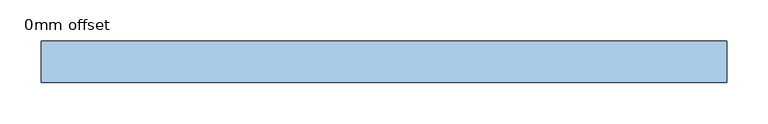
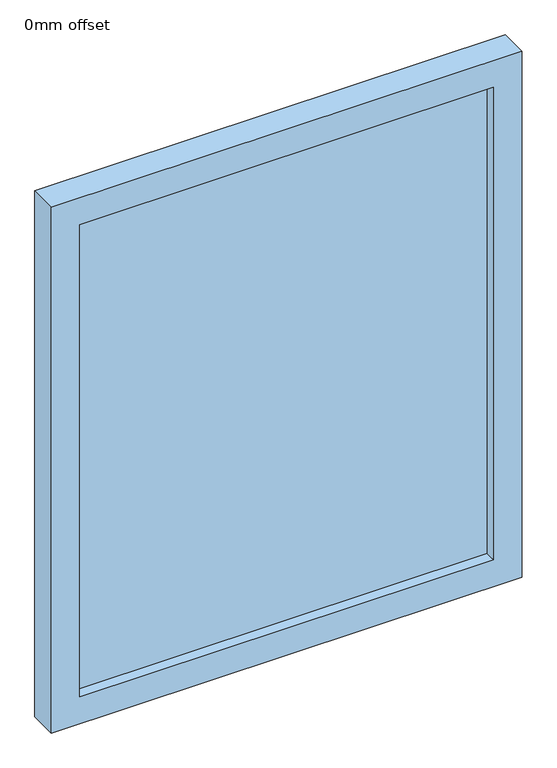
"""IFC4 building model written with IfcOpenShell, lengths in millimetres: window geometry, 0mm offset."""

import ifcopenshell
import ifcopenshell.guid

model = None  # the IFC model being written
_history = None  # IfcOwnerHistory: only IFC2X3 demands one
_inside = {}  # id of a spatial element -> (the spatial element, [elements in it])
_under = {}  # id of a project, library or spatial element -> (it, [spatial elements below it])
_declared = {}  # id of a project -> (the project, [libraries it declares])
_typed = {}  # id of a type object -> (the type object, [elements of that type])
_made_of = {}  # id of a material, layer set ... -> (it, [elements and type objects made of it])


def new_model(schema):
    """Start an empty IFC model of exactly this schema.

    Asked for "IFC4X3", IfcOpenShell would pick the latest addendum, in which some entities
    have other attributes; the version numbers below select the first issue.
    IFC2X3 requires an IfcOwnerHistory on every rooted entity: one is made here for all.
    """
    global model, _history
    if schema == "IFC4X3":
        model = ifcopenshell.file(schema_version=(4, 3, 0, 0))
    else:
        model = ifcopenshell.file(schema=schema)
    _inside.clear()
    _under.clear()
    _declared.clear()
    _typed.clear()
    _made_of.clear()
    _history = None
    if model.schema == "IFC2X3":
        org = make("IfcOrganization", Name="unknown")
        user = make(
            "IfcPersonAndOrganization",
            ThePerson=make("IfcPerson", FamilyName="unknown"),
            TheOrganization=org,
        )
        app = make(
            "IfcApplication",
            ApplicationDeveloper=org,
            Version="unknown",
            ApplicationFullName="unknown",
            ApplicationIdentifier="unknown",
        )
        _history = make(
            "IfcOwnerHistory",
            OwningUser=user,
            OwningApplication=app,
            ChangeAction="ADDED",
            CreationDate=0,
        )
    return model


def make(cls, **values):
    """One entity of the class cls with the attributes given. An attribute that is None is left unset."""
    return model.create_entity(
        cls, **{name: value for name, value in values.items() if value is not None}
    )


def rooted(cls, **values):
    """An entity with a GlobalId (a new one), such as an element, a storey or a relation."""
    return make(cls, GlobalId=ifcopenshell.guid.new(), OwnerHistory=_history, **values)


def si_unit(unit_type, name, prefix=None):
    """IfcSIUnit, for example si_unit("LENGTHUNIT", "METRE", prefix="MILLI")."""
    return make("IfcSIUnit", UnitType=unit_type, Prefix=prefix, Name=name)


def assignment(units):
    """IfcUnitAssignment: the units of a project."""
    return None if units is None else make("IfcUnitAssignment", Units=units)


def point(xyz):
    """IfcCartesianPoint."""
    return None if xyz is None else make("IfcCartesianPoint", Coordinates=xyz)


def direction(xyz):
    """IfcDirection."""
    return None if xyz is None else make("IfcDirection", DirectionRatios=xyz)


def frame(location, z_axis=None, x_axis=None):
    """IfcAxis2Placement3D, a coordinate frame: its origin and axes. An axis left out is left unset."""
    return make(
        "IfcAxis2Placement3D",
        Location=point(location),
        Axis=direction(z_axis),
        RefDirection=direction(x_axis),
    )


def origin():
    """The frame at (0, 0, 0) with its axes left unset."""
    return frame((0.0, 0.0, 0.0))


def place(relative_to, where):
    """IfcLocalPlacement: puts the frame where relative to a parent placement (None: the world)."""
    return make(
        "IfcLocalPlacement", PlacementRelTo=relative_to, RelativePlacement=where
    )


def context(
    kind, dimensions, precision=None, world=None, true_north=None, identifier=None
):
    """IfcGeometricRepresentationContext, for example the 3D "Model" context."""
    return make(
        "IfcGeometricRepresentationContext",
        ContextIdentifier=identifier,
        ContextType=kind,
        CoordinateSpaceDimension=dimensions,
        Precision=precision,
        WorldCoordinateSystem=world,
        TrueNorth=true_north,
    )


def project(units=None, contexts=None):
    """IfcProject with its units and contexts."""
    return rooted(
        "IfcProject",
        Name="project",
        RepresentationContexts=contexts,
        UnitsInContext=assignment(units),
    )


def spatial(cls, under=None, at=None, **own):
    """A site, building, storey or space (cls), placed at a placement, below another one or the project."""
    s = rooted(cls, ObjectPlacement=at, **own)
    if under is not None:
        _under.setdefault(under.id(), (under, []))[1].append(s)
    return s


def polyline(points):
    """IfcPolyline through the points."""
    return make("IfcPolyline", Points=[point(p) for p in points])


def outline(outer, holes=None, kind="AREA"):
    """IfcArbitraryClosedProfileDef: a profile drawn as a closed curve; with holes, ...WithVoids."""
    if holes is None:
        return make("IfcArbitraryClosedProfileDef", ProfileType=kind, OuterCurve=outer)
    return make(
        "IfcArbitraryProfileDefWithVoids",
        ProfileType=kind,
        OuterCurve=outer,
        InnerCurves=holes,
    )


def extrude(swept, where, along, depth):
    """IfcExtrudedAreaSolid: the profile swept, set in the frame where, extruded along a direction by depth."""
    return make(
        "IfcExtrudedAreaSolid",
        SweptArea=swept,
        Position=where,
        ExtrudedDirection=direction(along),
        Depth=depth,
    )


def shape(context_of_items, identifier, shape_type, items):
    """IfcShapeRepresentation: the items that make up one representation, for example the "Body"."""
    return make(
        "IfcShapeRepresentation",
        ContextOfItems=context_of_items,
        RepresentationIdentifier=identifier,
        RepresentationType=shape_type,
        Items=items,
    )


def source(mapping_origin, context_of_items, identifier, shape_type, items):
    """IfcRepresentationMap: a shape defined once, which mapped items show again and again."""
    return make(
        "IfcRepresentationMap",
        MappingOrigin=mapping_origin,
        MappedRepresentation=shape(context_of_items, identifier, shape_type, items),
    )


def transform(
    local_origin,
    x_axis=None,
    y_axis=None,
    z_axis=None,
    scale=None,
    scale2=None,
    scale3=None,
    uniform=True,
):
    """IfcCartesianTransformationOperator3D, or its non-uniform kind. x_axis, y_axis, z_axis: its Axis1, 2, 3."""
    if uniform:
        return make(
            "IfcCartesianTransformationOperator3D",
            Axis1=direction(x_axis),
            Axis2=direction(y_axis),
            LocalOrigin=point(local_origin),
            Scale=scale,
            Axis3=direction(z_axis),
        )
    return make(
        "IfcCartesianTransformationOperator3DnonUniform",
        Axis1=direction(x_axis),
        Axis2=direction(y_axis),
        LocalOrigin=point(local_origin),
        Scale=scale,
        Axis3=direction(z_axis),
        Scale2=scale2,
        Scale3=scale3,
    )


def mapped(mapping_source, mapping_target):
    """IfcMappedItem: shows the shape of a source again, moved by a transform."""
    return make(
        "IfcMappedItem", MappingSource=mapping_source, MappingTarget=mapping_target
    )


def made_of(thing, what):
    """Note that an element or type object is made of a material, layer set ...; save() writes the relation."""
    if what is not None:
        _made_of.setdefault(what.id(), (what, []))[1].append(thing)
    return thing


def element(
    cls,
    number,
    at=None,
    inside=None,
    cuts=None,
    type_object=None,
    material=None,
    context=None,
    identifier="Body",
    shape_type=None,
    held_by="IfcProductDefinitionShape",
    body=None,
    shapes=None,
    **own,
):
    """One element of the class cls, such as IfcWall. Its Tag is "e" and its number.

    at: its placement. inside: the storey or other place that contains it. cuts: it is an
    opening in that element (IfcRelVoidsElement). A single representation is given by context,
    identifier, shape_type and body (its items); several are given by shapes. held_by: the class
    of the entity that holds the representations. save() writes the other relations.
    """
    e = rooted(cls, Tag="e%d" % number, ObjectPlacement=at, **own)
    if body is not None:
        shapes = [shape(context, identifier, shape_type, body)]
    if shapes is not None:
        e.Representation = make(held_by, Representations=shapes)
    if inside is not None:
        _inside.setdefault(inside.id(), (inside, []))[1].append(e)
    if cuts is not None:
        rooted(
            "IfcRelVoidsElement", RelatingBuildingElement=cuts, RelatedOpeningElement=e
        )
    if type_object is not None:
        _typed.setdefault(type_object.id(), (type_object, []))[1].append(e)
    return made_of(e, material)


def aggregate(whole, parts):
    """IfcRelAggregates: a whole, such as a stair, and the parts it consists of."""
    return rooted("IfcRelAggregates", RelatingObject=whole, RelatedObjects=parts)


def save(model, path):
    """Write the relations noted so far, then the file.

    IfcRelAggregates (storeys below a building ...), IfcRelContainedInSpatialStructure (elements
    in a storey), IfcRelDefinesByType, IfcRelAssociatesMaterial and IfcRelDeclares: one each for
    every whole, place, type object, material and project.
    """
    for whole, parts in _under.values():
        aggregate(whole, parts)
    for where, things in _inside.values():
        rooted(
            "IfcRelContainedInSpatialStructure",
            RelatedElements=things,
            RelatingStructure=where,
        )
    for kind, things in _typed.values():
        rooted("IfcRelDefinesByType", RelatedObjects=things, RelatingType=kind)
    for what, things in _made_of.values():
        rooted("IfcRelAssociatesMaterial", RelatedObjects=things, RelatingMaterial=what)
    for by, libraries in _declared.values():
        rooted("IfcRelDeclares", RelatingContext=by, RelatedDefinitions=libraries)
    model.write(path)


def window_0mm_offset_6712cde5(model_context):
    return source(origin(), model_context, "Body", "SweptSolid", [
        extrude(outline(polyline([(365.0, -30.95), (-365.0, -30.95), (-365.0, -18.25), (365.0, -18.25), (365.0, -30.95)])), frame((0.0, 0.0, 50.0), z_axis=(0.0, 0.0, 1.0), x_axis=(1.0, 0.0, 0.0)), (0.0, 0.0, 1.0), 880.0),
        extrude(outline(polyline([(980.0, -415.0), (0.0, -415.0), (0.0, 415.0), (980.0, 415.0), (980.0, -415.0)]), holes=[polyline([(930.0, -365.0), (930.0, 365.0), (50.0, 365.0), (50.0, -365.0), (930.0, -365.0)])]), frame((0.0, -50.0, 0.0), z_axis=(0.0, 1.0, 0.0), x_axis=(0.0, 0.0, 1.0)), (0.0, 0.0, 1.0), 50.0),
    ])


if __name__ == "__main__":
    model = new_model("IFC4")
    model_context = context("Model", 3, world=origin())
    ifc_project = project(units=[si_unit("LENGTHUNIT", "METRE", prefix="MILLI")], contexts=[model_context])
    site = spatial("IfcSite", under=ifc_project)
    building = spatial("IfcBuilding", under=site)
    placement = place(None, origin())
    window_0mm_offset_shape = window_0mm_offset_6712cde5(model_context)
    element("IfcWindow", 1, ObjectType="0mm offset", at=placement, inside=building, context=model_context, shape_type="MappedRepresentation", body=[
        mapped(window_0mm_offset_shape, transform((0.0, 0.0, 0.0), x_axis=(1.0, 0.0, 0.0), y_axis=(0.0, 1.0, 0.0), z_axis=(0.0, 0.0, 1.0))),
    ])
    save(model, "model.ifc")
